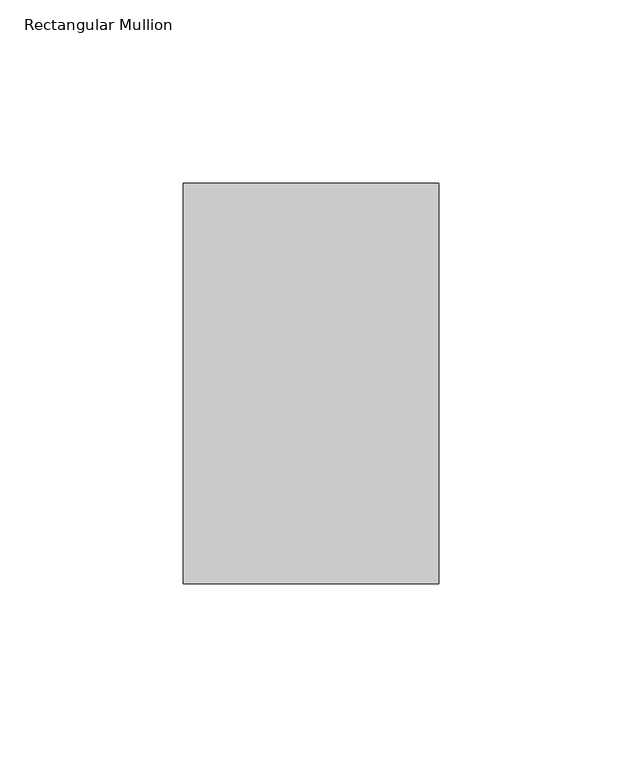
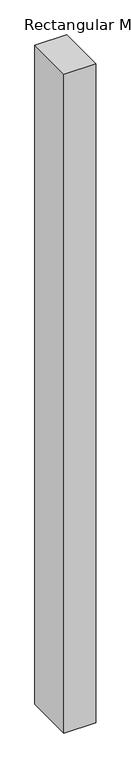
"""IFC4 building model written with IfcOpenShell, lengths in millimetres: member geometry, Rectangular Mullion."""

from ifc_helpers import new_model, si_unit, frame, origin, place, context, project, spatial, polyline, outline, extrude, source, transform, mapped, element, save


def rectangular_mullion_99eeedd6(model_context):
    return source(origin(), model_context, "Body", "SweptSolid", [
        extrude(outline(polyline([(-69.85, -76.99375), (-69.85, 32.54375), (0.0, 32.54375), (0.0, -76.99375), (-69.85, -76.99375)])), frame((0.0, 0.0, -1524.0), z_axis=(0.0, 0.0, 1.0), x_axis=(1.0, 0.0, 0.0)), (0.0, 0.0, 1.0), 1524.0),
    ])


if __name__ == "__main__":
    model = new_model("IFC4")
    model_context = context("Model", 3, world=origin())
    ifc_project = project(units=[si_unit("LENGTHUNIT", "METRE", prefix="MILLI")], contexts=[model_context])
    site = spatial("IfcSite", under=ifc_project)
    building = spatial("IfcBuilding", under=site)
    placement = place(None, origin())
    rectangular_mullion_shape = rectangular_mullion_99eeedd6(model_context)
    element("IfcMember", 1, ObjectType="Rectangular Mullion", at=placement, inside=building, context=model_context, shape_type="MappedRepresentation", body=[
        mapped(rectangular_mullion_shape, transform((0.0, 0.0, 0.0), x_axis=(1.0, 0.0, 0.0), y_axis=(0.0, 1.0, 0.0), z_axis=(0.0, 0.0, 1.0))),
    ])
    save(model, "model.ifc")
